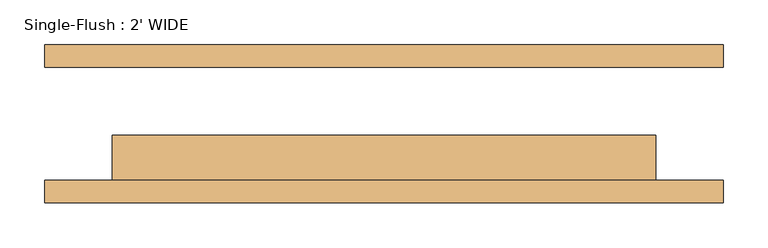
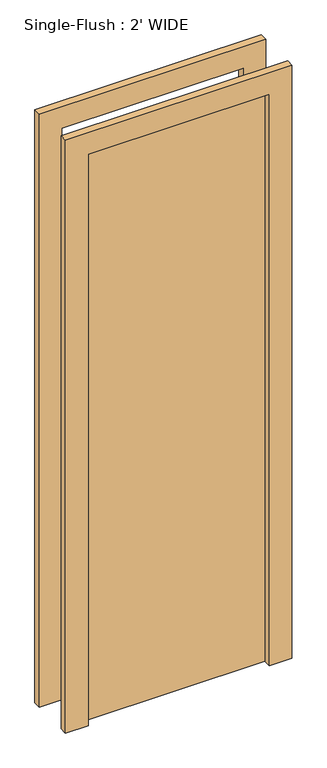
"""IFC4 building model written with IfcOpenShell, lengths in millimetres: door geometry, Single-Flush : 2' WIDE."""

from ifc_helpers import new_model, si_unit, frame, origin, origin_with_axes, place, context, project, spatial, polyline, outline, extrude, source, transform, mapped, element, save


def single_flush_2_wide_ccebbf4d(model_context):
    return source(origin(), model_context, "Body", "SweptSolid", [
        extrude(outline(polyline([(2108.2, -381.0), (0.0, -381.0), (0.0, -304.8), (2032.0, -304.8), (2032.0, 304.8), (0.0, 304.8), (0.0, 381.0), (2108.2, 381.0), (2108.2, -381.0)])), frame((0.0, -88.9, 0.0), z_axis=(0.0, 1.0, 0.0), x_axis=(0.0, 0.0, 1.0)), (0.0, 0.0, 1.0), 25.4),
        extrude(outline(polyline([(2108.2, 381.0), (2108.2, -381.0), (0.0, -381.0), (0.0, -304.8), (2032.0, -304.8), (2032.0, 304.8), (0.0, 304.8), (0.0, 381.0), (2108.2, 381.0)])), frame((0.0, 63.5, 0.0), z_axis=(0.0, 1.0, 0.0), x_axis=(0.0, 0.0, 1.0)), (0.0, 0.0, 1.0), 25.4),
        extrude(outline(polyline([(304.8, -12.7), (304.8, -63.5), (-304.8, -63.5), (-304.8, -12.7), (304.8, -12.7)])), origin_with_axes(), (0.0, 0.0, 1.0), 2032.0),
    ])


if __name__ == "__main__":
    model = new_model("IFC4")
    model_context = context("Model", 3, world=origin())
    ifc_project = project(units=[si_unit("LENGTHUNIT", "METRE", prefix="MILLI")], contexts=[model_context])
    site = spatial("IfcSite", under=ifc_project)
    building = spatial("IfcBuilding", under=site)
    placement = place(None, origin())
    single_flush_2_wide_shape = single_flush_2_wide_ccebbf4d(model_context)
    element("IfcDoor", 1, ObjectType="Single-Flush : 2' WIDE", at=placement, inside=building, context=model_context, shape_type="MappedRepresentation", body=[
        mapped(single_flush_2_wide_shape, transform((0.0, 0.0, 0.0), x_axis=(1.0, 0.0, 0.0), y_axis=(0.0, 1.0, 0.0), z_axis=(0.0, 0.0, 1.0))),
    ])
    save(model, "model.ifc")
